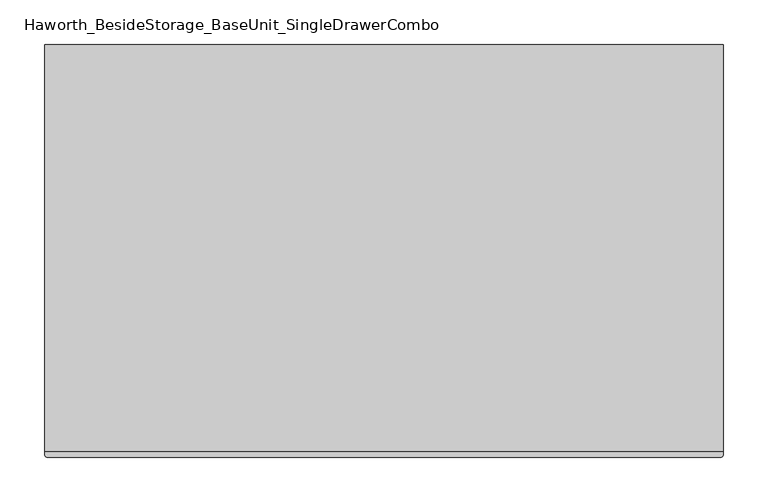
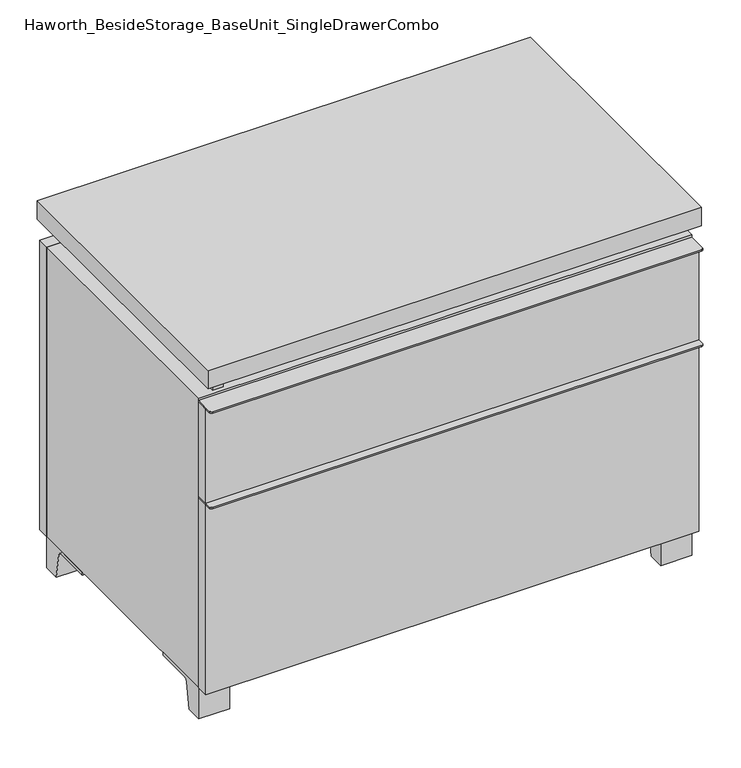
"""IFC4 building model written with IfcOpenShell, lengths in millimetres: furniture geometry, Haworth_BesideStorage_BaseUnit_SingleDrawerCombo."""

from ifc_helpers import new_model, si_unit, point, frame, frame_2d, origin, place, context, project, spatial, polyline, circle_curve, trimmed, segment, composite_curve, outline, extrude, source, transform, mapped, element, save


def haworth_besidestorage_baseunit_singledrawercombo_9daa49c3(model_context):
    return source(origin(), model_context, "Body", "SweptSolid", [
        extrude(outline(composite_curve([segment(polyline([(381.0138906, -139.7), (381.0138906, -168.275)]), True, "CONTINUOUS"), segment(trimmed(circle_curve(frame_2d((377.8388906, -168.275)), 3.175), [point((381.0138906, -168.275))], [point((377.8388906, -171.45))], False, "CARTESIAN"), True, "CONTINUOUS"), segment(polyline([(377.8388906, -171.45), (-377.8111094, -171.45)]), True, "CONTINUOUS"), segment(trimmed(circle_curve(frame_2d((-377.8111094, -168.275)), 3.175), [point((-377.8111094, -171.45))], [point((-380.9861094, -168.275))], False, "CARTESIAN"), True, "CONTINUOUS"), segment(polyline([(-380.9861094, -168.275), (-380.9861094, -139.7), (381.0138906, -139.7)]), True, "CONTINUOUS")], self_intersect=False)), frame((0.0, 0.0, 517.525), z_axis=(0.0, 0.0, 1.0), x_axis=(1.0, 0.0, 0.0)), (0.0, 0.0, 1.0), 2.38125),
        extrude(outline(polyline([(381.0138906, -139.7), (381.0138906, -158.75), (-380.9861094, -158.75), (-380.9861094, -139.7), (381.0138906, -139.7)])), frame((0.0, 0.0, 363.5375), z_axis=(0.0, 0.0, 1.0), x_axis=(1.0, 0.0, 0.0)), (0.0, 0.0, 1.0), 153.9875),
        extrude(outline(composite_curve([segment(polyline([(381.0138906, -139.7), (381.0138906, -168.275)]), True, "CONTINUOUS"), segment(trimmed(circle_curve(frame_2d((377.8388906, -168.275)), 3.175), [point((381.0138906, -168.275))], [point((377.8388906, -171.45))], False, "CARTESIAN"), True, "CONTINUOUS"), segment(polyline([(377.8388906, -171.45), (-377.8111094, -171.45)]), True, "CONTINUOUS"), segment(trimmed(circle_curve(frame_2d((-377.8111094, -168.275)), 3.175), [point((-377.8111094, -171.45))], [point((-380.9861094, -168.275))], False, "CARTESIAN"), True, "CONTINUOUS"), segment(polyline([(-380.9861094, -168.275), (-380.9861094, -139.7), (381.0138906, -139.7)]), True, "CONTINUOUS")], self_intersect=False)), frame((0.0, 0.0, 361.15625), z_axis=(0.0, 0.0, 1.0), x_axis=(1.0, 0.0, 0.0)), (0.0, 0.0, 1.0), 2.38125),
        extrude(outline(polyline([(381.0138906, -139.7), (381.0138906, -158.75), (-380.9861094, -158.75), (-380.9861094, -139.7), (381.0138906, -139.7)])), frame((0.0, 0.0, 50.8), z_axis=(0.0, 0.0, 1.0), x_axis=(1.0, 0.0, 0.0)), (0.0, 0.0, 1.0), 310.35625),
        extrude(outline(polyline([(381.0138906, 292.1), (381.0138906, -165.1), (-380.9861094, -165.1), (-380.9861094, 292.1), (381.0138906, 292.1)])), frame((0.0, 0.0, 554.0375), z_axis=(0.0, 0.0, 1.0), x_axis=(1.0, 0.0, 0.0)), (0.0, 0.0, 1.0), 30.1625),
        extrude(outline(composite_curve([segment(polyline([(-114.3000136, 0.0), (-139.7, 0.0), (-139.7, 50.8), (-44.45, 50.8), (-44.45, 46.0213321), (-101.2505345, 46.0213321)]), True, "CONTINUOUS"), segment(trimmed(circle_curve(frame_2d((-101.2505345, 39.6713321)), 6.35), [point((-101.2505345, 46.0213321))], [point((-107.5141359, 40.7152656))], True, "CARTESIAN"), True, "CONTINUOUS"), segment(polyline([(-107.5141359, 40.7152656), (-114.3000136, 0.0)]), True, "CONTINUOUS")], self_intersect=False)), frame((333.3888906, 0.0, 0.0), z_axis=(1.0, 0.0, 0.0), x_axis=(0.0, 1.0, 0.0)), (0.0, 0.0, 1.0), 47.625),
        extrude(outline(composite_curve([segment(polyline([(241.3000136, 0.0), (234.5141359, 40.7152656)]), True, "CONTINUOUS"), segment(trimmed(circle_curve(frame_2d((228.2505345, 39.6713321)), 6.35), [point((234.5141359, 40.7152656))], [point((228.2505345, 46.0213321))], True, "CARTESIAN"), True, "CONTINUOUS"), segment(polyline([(228.2505345, 46.0213321), (171.45, 46.0213321), (171.45, 50.8), (266.7, 50.8), (266.7, 0.0), (241.3000136, 0.0)]), True, "CONTINUOUS")], self_intersect=False)), frame((333.3888906, 0.0, 0.0), z_axis=(1.0, 0.0, 0.0), x_axis=(0.0, 1.0, 0.0)), (0.0, 0.0, 1.0), 47.625),
        extrude(outline(composite_curve([segment(polyline([(-114.3000136, 0.0), (-139.7, 0.0), (-139.7, 50.8), (-44.45, 50.8), (-44.45, 46.0213321), (-101.2505345, 46.0213321)]), True, "CONTINUOUS"), segment(trimmed(circle_curve(frame_2d((-101.2505345, 39.6713321)), 6.35), [point((-101.2505345, 46.0213321))], [point((-107.5141359, 40.7152656))], True, "CARTESIAN"), True, "CONTINUOUS"), segment(polyline([(-107.5141359, 40.7152656), (-114.3000136, 0.0)]), True, "CONTINUOUS")], self_intersect=False)), frame((-380.9861094, 0.0, 0.0), z_axis=(1.0, 0.0, 0.0), x_axis=(0.0, 1.0, 0.0)), (0.0, 0.0, 1.0), 47.625),
        extrude(outline(composite_curve([segment(polyline([(241.3000136, 0.0), (234.5141359, 40.7152656)]), True, "CONTINUOUS"), segment(trimmed(circle_curve(frame_2d((228.2505345, 39.6713321)), 6.35), [point((234.5141359, 40.7152656))], [point((228.2505345, 46.0213321))], True, "CARTESIAN"), True, "CONTINUOUS"), segment(polyline([(228.2505345, 46.0213321), (171.45, 46.0213321), (171.45, 50.8), (266.7, 50.8), (266.7, 0.0), (241.3000136, 0.0)]), True, "CONTINUOUS")], self_intersect=False)), frame((-380.9861094, 0.0, 0.0), z_axis=(1.0, 0.0, 0.0), x_axis=(0.0, 1.0, 0.0)), (0.0, 0.0, 1.0), 47.625),
        extrude(outline(polyline([(-355.5791641, -133.35), (-355.5791641, 234.95), (-339.7041641, 234.95), (-339.7041641, 73.025), (339.7111094, 73.025), (339.7111094, 247.65), (355.5861094, 247.65), (355.5861094, -120.65), (339.7111094, -120.65), (339.7111094, 53.975), (-339.7041641, 53.975), (-339.7041641, -133.35), (-355.5791641, -133.35)])), frame((0.0, 0.0, 523.875), z_axis=(0.0, 0.0, 1.0), x_axis=(1.0, 0.0, 0.0)), (0.0, 0.0, 1.0), 30.1625),
        extrude(outline(polyline([(381.0138906, 266.7), (-380.9861094, 266.7), (-380.9861094, 285.75), (381.0138906, 285.75), (381.0138906, 266.7)])), frame((0.0, 0.0, 50.8), z_axis=(0.0, 0.0, 1.0), x_axis=(1.0, 0.0, 0.0)), (0.0, 0.0, 1.0), 473.075),
        extrude(outline(polyline([(50.8, -380.9861094), (50.8, 381.0), (523.875, 381.0), (523.875, -380.9861094), (50.8, -380.9861094)]), holes=[polyline([(69.85, -361.9361094), (504.825, -361.9361094), (504.825, 361.9361094), (69.85, 361.9361094), (69.85, -361.9361094)])]), frame((0.0, -139.7, 0.0), z_axis=(0.0, 1.0, 0.0), x_axis=(0.0, 0.0, 1.0)), (0.0, 0.0, 1.0), 406.4),
        extrude(outline(polyline([(-361.9291641, 234.95), (-361.9291641, 241.3), (361.9569453, 241.3), (361.9569453, 234.95), (-361.9291641, 234.95)])), frame((0.0, 0.0, 69.85), z_axis=(0.0, 0.0, 1.0), x_axis=(1.0, 0.0, 0.0)), (0.0, 0.0, 1.0), 434.975),
    ])


if __name__ == "__main__":
    model = new_model("IFC4")
    model_context = context("Model", 3, world=origin())
    ifc_project = project(units=[si_unit("LENGTHUNIT", "METRE", prefix="MILLI")], contexts=[model_context])
    site = spatial("IfcSite", under=ifc_project)
    building = spatial("IfcBuilding", under=site)
    placement = place(None, origin())
    haworth_besidestorage_baseunit_singledrawercombo_shape = haworth_besidestorage_baseunit_singledrawercombo_9daa49c3(model_context)
    element("IfcFurniture", 1, ObjectType="Haworth_BesideStorage_BaseUnit_SingleDrawerCombo", at=placement, inside=building, context=model_context, shape_type="MappedRepresentation", body=[
        mapped(haworth_besidestorage_baseunit_singledrawercombo_shape, transform((0.0, 0.0, 0.0), x_axis=(1.0, 0.0, 0.0), y_axis=(0.0, 1.0, 0.0), z_axis=(0.0, 0.0, 1.0))),
    ])
    save(model, "model.ifc")
